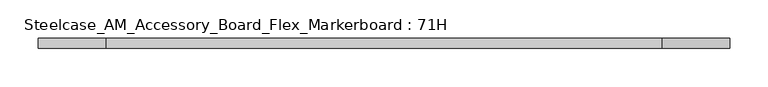
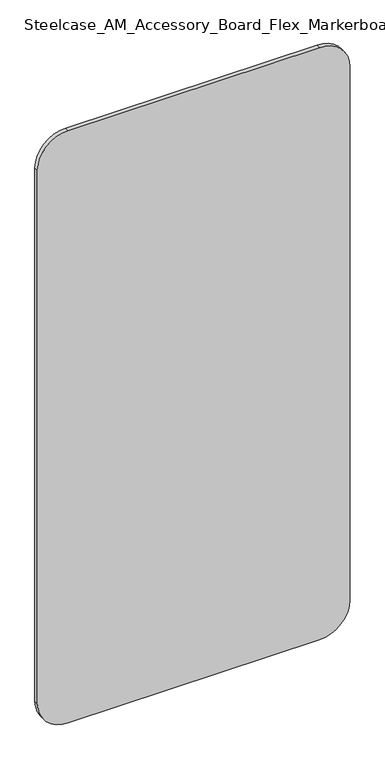
"""IFC4 building model written with IfcOpenShell, lengths in millimetres: furniture geometry, Steelcase_AM_Accessory_Board_Flex_Markerboard : 71H."""

from ifc_helpers import new_model, si_unit, point, frame, frame_2d, origin, place, context, project, spatial, polyline, circle_curve, trimmed, segment, composite_curve, outline, extrude, source, transform, mapped, element, save


def steelcase_am_accessory_board_flex_markerboard_71h_4412ddd7(model_context):
    return source(origin(), model_context, "Body", "SweptSolid", [
        extrude(outline(composite_curve([segment(polyline([(1803.4, 812.8), (1803.4, 88.9)]), True, "CONTINUOUS"), segment(trimmed(circle_curve(frame_2d((1714.5, 88.9)), 88.9), [point((1803.4, 88.9))], [point((1714.5, 0.0))], False, "CARTESIAN"), True, "CONTINUOUS"), segment(polyline([(1714.5, 0.0), (88.9, 0.0)]), True, "CONTINUOUS"), segment(trimmed(circle_curve(frame_2d((88.9, 88.9)), 88.9), [point((88.9, 0.0))], [point((0.0, 88.9))], False, "CARTESIAN"), True, "CONTINUOUS"), segment(polyline([(0.0, 88.9), (0.0, 812.8)]), True, "CONTINUOUS"), segment(trimmed(circle_curve(frame_2d((88.9, 812.8)), 88.9), [point((0.0, 812.8))], [point((88.9, 901.7))], False, "CARTESIAN"), True, "CONTINUOUS"), segment(polyline([(88.9, 901.7), (1714.5, 901.7)]), True, "CONTINUOUS"), segment(trimmed(circle_curve(frame_2d((1714.5, 812.8)), 88.9), [point((1714.5, 901.7))], [point((1803.4, 812.8))], False, "CARTESIAN"), True, "CONTINUOUS")], self_intersect=False)), frame((0.0, -12.6950676, 0.0), z_axis=(0.0, 1.0, 0.0), x_axis=(0.0, 0.0, 1.0)), (0.0, 0.0, 1.0), 12.6950676),
    ])


if __name__ == "__main__":
    model = new_model("IFC4")
    model_context = context("Model", 3, world=origin())
    ifc_project = project(units=[si_unit("LENGTHUNIT", "METRE", prefix="MILLI")], contexts=[model_context])
    site = spatial("IfcSite", under=ifc_project)
    building = spatial("IfcBuilding", under=site)
    placement = place(None, origin())
    steelcase_am_accessory_board_flex_markerboard_71h_shape = steelcase_am_accessory_board_flex_markerboard_71h_4412ddd7(model_context)
    element("IfcFurniture", 1, ObjectType="Steelcase_AM_Accessory_Board_Flex_Markerboard : 71H", at=placement, inside=building, context=model_context, shape_type="MappedRepresentation", body=[
        mapped(steelcase_am_accessory_board_flex_markerboard_71h_shape, transform((0.0, 0.0, 0.0), x_axis=(1.0, 0.0, 0.0), y_axis=(0.0, 1.0, 0.0), z_axis=(0.0, 0.0, 1.0))),
    ])
    save(model, "model.ifc")
